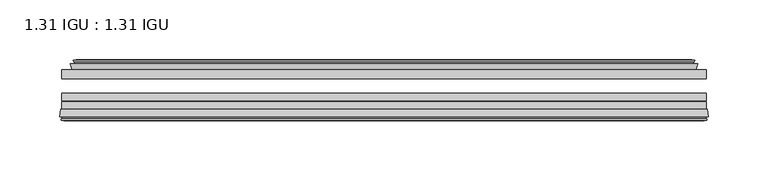
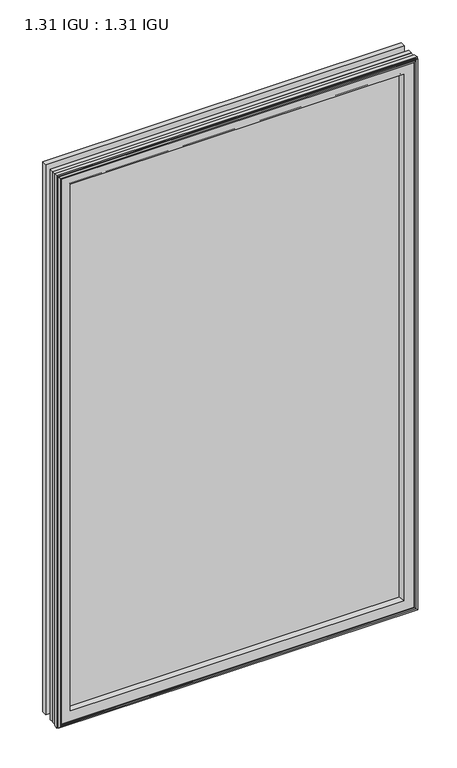
"""IFC4 building model written with IfcOpenShell, lengths in millimetres: plate geometry, 1.31 IGU : 1.31 IGU."""

import ifcopenshell
import ifcopenshell.guid

model = None  # the IFC model being written
_history = None  # IfcOwnerHistory: only IFC2X3 demands one
_inside = {}  # id of a spatial element -> (the spatial element, [elements in it])
_under = {}  # id of a project, library or spatial element -> (it, [spatial elements below it])
_declared = {}  # id of a project -> (the project, [libraries it declares])
_typed = {}  # id of a type object -> (the type object, [elements of that type])
_made_of = {}  # id of a material, layer set ... -> (it, [elements and type objects made of it])


def new_model(schema):
    """Start an empty IFC model of exactly this schema.

    Asked for "IFC4X3", IfcOpenShell would pick the latest addendum, in which some entities
    have other attributes; the version numbers below select the first issue.
    IFC2X3 requires an IfcOwnerHistory on every rooted entity: one is made here for all.
    """
    global model, _history
    if schema == "IFC4X3":
        model = ifcopenshell.file(schema_version=(4, 3, 0, 0))
    else:
        model = ifcopenshell.file(schema=schema)
    _inside.clear()
    _under.clear()
    _declared.clear()
    _typed.clear()
    _made_of.clear()
    _history = None
    if model.schema == "IFC2X3":
        org = make("IfcOrganization", Name="unknown")
        user = make(
            "IfcPersonAndOrganization",
            ThePerson=make("IfcPerson", FamilyName="unknown"),
            TheOrganization=org,
        )
        app = make(
            "IfcApplication",
            ApplicationDeveloper=org,
            Version="unknown",
            ApplicationFullName="unknown",
            ApplicationIdentifier="unknown",
        )
        _history = make(
            "IfcOwnerHistory",
            OwningUser=user,
            OwningApplication=app,
            ChangeAction="ADDED",
            CreationDate=0,
        )
    return model


def make(cls, **values):
    """One entity of the class cls with the attributes given. An attribute that is None is left unset."""
    return model.create_entity(
        cls, **{name: value for name, value in values.items() if value is not None}
    )


def rooted(cls, **values):
    """An entity with a GlobalId (a new one), such as an element, a storey or a relation."""
    return make(cls, GlobalId=ifcopenshell.guid.new(), OwnerHistory=_history, **values)


def si_unit(unit_type, name, prefix=None):
    """IfcSIUnit, for example si_unit("LENGTHUNIT", "METRE", prefix="MILLI")."""
    return make("IfcSIUnit", UnitType=unit_type, Prefix=prefix, Name=name)


def assignment(units):
    """IfcUnitAssignment: the units of a project."""
    return None if units is None else make("IfcUnitAssignment", Units=units)


def point(xyz):
    """IfcCartesianPoint."""
    return None if xyz is None else make("IfcCartesianPoint", Coordinates=xyz)


def direction(xyz):
    """IfcDirection."""
    return None if xyz is None else make("IfcDirection", DirectionRatios=xyz)


def frame(location, z_axis=None, x_axis=None):
    """IfcAxis2Placement3D, a coordinate frame: its origin and axes. An axis left out is left unset."""
    return make(
        "IfcAxis2Placement3D",
        Location=point(location),
        Axis=direction(z_axis),
        RefDirection=direction(x_axis),
    )


def origin():
    """The frame at (0, 0, 0) with its axes left unset."""
    return frame((0.0, 0.0, 0.0))


def place(relative_to, where):
    """IfcLocalPlacement: puts the frame where relative to a parent placement (None: the world)."""
    return make(
        "IfcLocalPlacement", PlacementRelTo=relative_to, RelativePlacement=where
    )


def context(
    kind, dimensions, precision=None, world=None, true_north=None, identifier=None
):
    """IfcGeometricRepresentationContext, for example the 3D "Model" context."""
    return make(
        "IfcGeometricRepresentationContext",
        ContextIdentifier=identifier,
        ContextType=kind,
        CoordinateSpaceDimension=dimensions,
        Precision=precision,
        WorldCoordinateSystem=world,
        TrueNorth=true_north,
    )


def project(units=None, contexts=None):
    """IfcProject with its units and contexts."""
    return rooted(
        "IfcProject",
        Name="project",
        RepresentationContexts=contexts,
        UnitsInContext=assignment(units),
    )


def spatial(cls, under=None, at=None, **own):
    """A site, building, storey or space (cls), placed at a placement, below another one or the project."""
    s = rooted(cls, ObjectPlacement=at, **own)
    if under is not None:
        _under.setdefault(under.id(), (under, []))[1].append(s)
    return s


def polyline(points):
    """IfcPolyline through the points."""
    return make("IfcPolyline", Points=[point(p) for p in points])


def ellipse_curve(where, semi_axis1, semi_axis2):
    """IfcEllipse in the frame where."""
    return make(
        "IfcEllipse", Position=where, SemiAxis1=semi_axis1, SemiAxis2=semi_axis2
    )


def outline(outer, holes=None, kind="AREA"):
    """IfcArbitraryClosedProfileDef: a profile drawn as a closed curve; with holes, ...WithVoids."""
    if holes is None:
        return make("IfcArbitraryClosedProfileDef", ProfileType=kind, OuterCurve=outer)
    return make(
        "IfcArbitraryProfileDefWithVoids",
        ProfileType=kind,
        OuterCurve=outer,
        InnerCurves=holes,
    )


def extrude(swept, where, along, depth):
    """IfcExtrudedAreaSolid: the profile swept, set in the frame where, extruded along a direction by depth."""
    return make(
        "IfcExtrudedAreaSolid",
        SweptArea=swept,
        Position=where,
        ExtrudedDirection=direction(along),
        Depth=depth,
    )


def faces_of(points, faces, orient=None, outer=None):
    """IfcFace entities. A face is a list of loops; a loop is a list of indices into points, from 0.

    orient and outer hold one flag for each loop. By default every Orientation is true, the
    first loop of a face is its IfcFaceOuterBound and the others are IfcFaceBound.
    """
    made = []
    for i, loops in enumerate(faces):
        bounds = []
        for j, loop in enumerate(loops):
            is_outer = j == 0 if outer is None else outer[i][j]
            bounds.append(
                make(
                    "IfcFaceOuterBound" if is_outer else "IfcFaceBound",
                    Bound=make("IfcPolyLoop", Polygon=[points[k] for k in loop]),
                    Orientation=True if orient is None else orient[i][j],
                )
            )
        made.append(make("IfcFace", Bounds=bounds))
    return made


def faceted_brep(points, faces, orient=None, outer=None, voids=None):
    """IfcFacetedBrep: a solid bounded by flat faces; with voids (closed shells), ...WithVoids."""
    shared = [point(p) for p in points]
    hull = make("IfcClosedShell", CfsFaces=faces_of(shared, faces, orient, outer))
    if voids is None:
        return make("IfcFacetedBrep", Outer=hull)
    return make(
        "IfcFacetedBrepWithVoids",
        Outer=hull,
        Voids=[
            make(cls, CfsFaces=faces_of(shared, fs, o, b)) for cls, fs, o, b in voids
        ],
    )


def shape(context_of_items, identifier, shape_type, items):
    """IfcShapeRepresentation: the items that make up one representation, for example the "Body"."""
    return make(
        "IfcShapeRepresentation",
        ContextOfItems=context_of_items,
        RepresentationIdentifier=identifier,
        RepresentationType=shape_type,
        Items=items,
    )


def source(mapping_origin, context_of_items, identifier, shape_type, items):
    """IfcRepresentationMap: a shape defined once, which mapped items show again and again."""
    return make(
        "IfcRepresentationMap",
        MappingOrigin=mapping_origin,
        MappedRepresentation=shape(context_of_items, identifier, shape_type, items),
    )


def transform(
    local_origin,
    x_axis=None,
    y_axis=None,
    z_axis=None,
    scale=None,
    scale2=None,
    scale3=None,
    uniform=True,
):
    """IfcCartesianTransformationOperator3D, or its non-uniform kind. x_axis, y_axis, z_axis: its Axis1, 2, 3."""
    if uniform:
        return make(
            "IfcCartesianTransformationOperator3D",
            Axis1=direction(x_axis),
            Axis2=direction(y_axis),
            LocalOrigin=point(local_origin),
            Scale=scale,
            Axis3=direction(z_axis),
        )
    return make(
        "IfcCartesianTransformationOperator3DnonUniform",
        Axis1=direction(x_axis),
        Axis2=direction(y_axis),
        LocalOrigin=point(local_origin),
        Scale=scale,
        Axis3=direction(z_axis),
        Scale2=scale2,
        Scale3=scale3,
    )


def mapped(mapping_source, mapping_target):
    """IfcMappedItem: shows the shape of a source again, moved by a transform."""
    return make(
        "IfcMappedItem", MappingSource=mapping_source, MappingTarget=mapping_target
    )


def made_of(thing, what):
    """Note that an element or type object is made of a material, layer set ...; save() writes the relation."""
    if what is not None:
        _made_of.setdefault(what.id(), (what, []))[1].append(thing)
    return thing


def element(
    cls,
    number,
    at=None,
    inside=None,
    cuts=None,
    type_object=None,
    material=None,
    context=None,
    identifier="Body",
    shape_type=None,
    held_by="IfcProductDefinitionShape",
    body=None,
    shapes=None,
    **own,
):
    """One element of the class cls, such as IfcWall. Its Tag is "e" and its number.

    at: its placement. inside: the storey or other place that contains it. cuts: it is an
    opening in that element (IfcRelVoidsElement). A single representation is given by context,
    identifier, shape_type and body (its items); several are given by shapes. held_by: the class
    of the entity that holds the representations. save() writes the other relations.
    """
    e = rooted(cls, Tag="e%d" % number, ObjectPlacement=at, **own)
    if body is not None:
        shapes = [shape(context, identifier, shape_type, body)]
    if shapes is not None:
        e.Representation = make(held_by, Representations=shapes)
    if inside is not None:
        _inside.setdefault(inside.id(), (inside, []))[1].append(e)
    if cuts is not None:
        rooted(
            "IfcRelVoidsElement", RelatingBuildingElement=cuts, RelatedOpeningElement=e
        )
    if type_object is not None:
        _typed.setdefault(type_object.id(), (type_object, []))[1].append(e)
    return made_of(e, material)


def aggregate(whole, parts):
    """IfcRelAggregates: a whole, such as a stair, and the parts it consists of."""
    return rooted("IfcRelAggregates", RelatingObject=whole, RelatedObjects=parts)


def save(model, path):
    """Write the relations noted so far, then the file.

    IfcRelAggregates (storeys below a building ...), IfcRelContainedInSpatialStructure (elements
    in a storey), IfcRelDefinesByType, IfcRelAssociatesMaterial and IfcRelDeclares: one each for
    every whole, place, type object, material and project.
    """
    for whole, parts in _under.values():
        aggregate(whole, parts)
    for where, things in _inside.values():
        rooted(
            "IfcRelContainedInSpatialStructure",
            RelatedElements=things,
            RelatingStructure=where,
        )
    for kind, things in _typed.values():
        rooted("IfcRelDefinesByType", RelatedObjects=things, RelatingType=kind)
    for what, things in _made_of.values():
        rooted("IfcRelAssociatesMaterial", RelatedObjects=things, RelatingMaterial=what)
    for by, libraries in _declared.values():
        rooted("IfcRelDeclares", RelatingContext=by, RelatedDefinitions=libraries)
    model.write(path)


def plane_surface(at):
    """IfcPlane: the flat surface through the origin of the frame at, square to its z axis."""
    return make("IfcPlane", Position=at)


def revolved_surface(curve, axis_point, axis_direction):
    """IfcSurfaceOfRevolution: the curve turned about the line through axis_point along axis_direction."""
    return make(
        "IfcSurfaceOfRevolution",
        SweptCurve=make("IfcArbitraryOpenProfileDef", ProfileType="CURVE", Curve=curve),
        AxisPosition=make("IfcAxis1Placement", Location=point(axis_point), Axis=direction(axis_direction)),
    )


def advanced_brep(points, edges, surfaces, faces):
    """IfcAdvancedBrep: a solid bounded by faces that lie on surfaces and meet in shared edges.

    An edge is (start, end): straight between two places in points (the first is 0);
    or (start, end, curve); or (start, end, curve, False) where it runs against its curve.
    A face is (place in surfaces, loops), or (place, loops, False) where it looks against
    its surface's normal. A loop lists edges by number (the first is 1), with a minus sign
    where the edge is run from its end to its start. The first loop is the outer one.
    """
    corners = [point(p) for p in points]
    vertices = [make("IfcVertexPoint", VertexGeometry=c) for c in corners]
    made = []
    for start, end, *more in edges:
        made.append(
            make(
                "IfcEdgeCurve",
                EdgeStart=vertices[start],
                EdgeEnd=vertices[end],
                EdgeGeometry=more[0] if more else make("IfcPolyline", Points=[corners[start], corners[end]]),
                SameSense=more[1] if len(more) > 1 else True,
            )
        )
    hull = []
    for where, loops, *sense in faces:
        bounds = []
        for j, loop in enumerate(loops):
            ring = [make("IfcOrientedEdge", EdgeElement=made[abs(k) - 1], Orientation=k > 0) for k in loop]
            bounds.append(
                make(
                    "IfcFaceOuterBound" if j == 0 else "IfcFaceBound",
                    Bound=make("IfcEdgeLoop", EdgeList=ring),
                    Orientation=True,
                )
            )
        hull.append(make("IfcAdvancedFace", Bounds=bounds, FaceSurface=surfaces[where], SameSense=sense[0] if sense else True))
    return make("IfcAdvancedBrep", Outer=make("IfcClosedShell", CfsFaces=hull))


def plate_1_31_igu_1_31_igu_f2027606(model_context):
    return source(origin(), model_context, "Body", "SolidModel", [
        extrude(outline(polyline([(269.890875, -17.9712937), (269.890875, -25.8960937), (-269.890875, -25.8960937), (-269.890875, -17.9712937), (269.890875, -17.9712937)])), frame((0.0, 0.0, -19.05), z_axis=(0.0, 0.0, 1.0), x_axis=(1.0, 0.0, 0.0)), (0.0, 0.0, 1.0), 876.3),
        extrude(outline(polyline([(-269.890875, -51.2960937), (-269.890875, -44.9460937), (269.890875, -44.9460937), (269.890875, -51.2960937), (-269.890875, -51.2960937)])), frame((0.0, 0.0, -19.05), z_axis=(0.0, 0.0, 1.0), x_axis=(1.0, 0.0, 0.0)), (0.0, 0.0, 1.0), 876.3),
        extrude(outline(polyline([(-269.890875, -44.1586938), (-269.890875, -37.8086938), (269.890875, -37.8086938), (269.890875, -44.1586938), (-269.890875, -44.1586938)])), frame((0.0, 0.0, -19.05), z_axis=(0.0, 0.0, 1.0), x_axis=(1.0, 0.0, 0.0)), (0.0, 0.0, 1.0), 876.3),
        faceted_brep([(-260.9722755, -17.9712937, 848.3314005), (-262.6165087, -13.1960937, 849.9756337), (-262.6165087, -13.1960937, -11.7756337), (-260.9722755, -17.9712937, -10.1314005), (-251.361575, -13.1960937, 838.7207), (-250.1921445, -17.9712937, 837.5512695), (-250.1921445, -17.9712937, 0.6487305), (-251.361575, -13.1960937, -0.5207), (-256.9262953, -10.902778, 844.2854203), (-256.3118031, -13.1960937, 843.6709281), (-256.3118031, -13.1960937, -5.4709281), (-256.9262953, -10.902778, -6.0854203), (-255.5340459, -11.27583, 842.8931709), (-255.5340459, -11.27583, -4.6931709), (-255.3027287, -10.4125422, 842.6618537), (-255.3027287, -10.4125422, -4.4618537), (-257.711575, -9.7670937, 845.0707), (-257.711575, -9.7670937, -6.8707), (-260.1204213, -10.4125422, 847.4795463), (-260.1204213, -10.4125422, -9.2795463), (-259.8891041, -11.27583, 847.2482291), (-259.8891041, -11.27583, -9.0482291), (-258.5022764, -10.9042307, 845.8614014), (-258.5022764, -10.9042307, -7.6614014), (-259.2469479, -13.1960937, 846.6060729), (-259.2469479, -13.1960937, -8.4060729), (262.6165087, -13.1960937, -11.7756337), (260.9722755, -17.9712937, -10.1314005), (250.1921445, -17.9712937, 0.6487305), (251.361575, -13.1960937, -0.5207), (256.3118031, -13.1960937, -5.4709281), (256.9262953, -10.902778, -6.0854203), (255.5340459, -11.27583, -4.6931709), (255.3027287, -10.4125422, -4.4618537), (257.711575, -9.7670937, -6.8707), (260.1204213, -10.4125422, -9.2795463), (259.8891041, -11.27583, -9.0482291), (258.5022764, -10.9042307, -7.6614014), (259.2469479, -13.1960937, -8.4060729), (262.6165087, -13.1960937, 849.9756337), (260.9722755, -17.9712937, 848.3314005), (250.1921445, -17.9712937, 837.5512695), (251.361575, -13.1960937, 838.7207), (256.3118031, -13.1960937, 843.6709281), (256.9262953, -10.902778, 844.2854203), (255.5340459, -11.27583, 842.8931709), (255.3027287, -10.4125422, 842.6618537), (257.711575, -9.7670937, 845.0707), (260.1204213, -10.4125422, 847.4795463), (259.8891041, -11.27583, 847.2482291), (258.5022764, -10.9042307, 845.8614014), (259.2469479, -13.1960937, 846.6060729)], [[[0, 1, 2, 3]], [[4, 5, 6, 7]], [[8, 9, 10, 11]], [[12, 8, 11, 13]], [[14, 12, 13, 15]], [[16, 14, 15, 17]], [[18, 16, 17, 19]], [[20, 18, 19, 21]], [[22, 20, 21, 23]], [[24, 22, 23, 25]], [[3, 2, 26, 27]], [[7, 6, 28, 29]], [[11, 10, 30, 31]], [[13, 11, 31, 32]], [[15, 13, 32, 33]], [[17, 15, 33, 34]], [[19, 17, 34, 35]], [[21, 19, 35, 36]], [[23, 21, 36, 37]], [[25, 23, 37, 38]], [[27, 26, 39, 40]], [[29, 28, 41, 42]], [[31, 30, 43, 44]], [[32, 31, 44, 45]], [[33, 32, 45, 46]], [[34, 33, 46, 47]], [[35, 34, 47, 48]], [[36, 35, 48, 49]], [[37, 36, 49, 50]], [[38, 37, 50, 51]], [[40, 39, 1, 0]], [[3, 27, 40, 0], [5, 41, 28, 6]], [[42, 41, 5, 4]], [[9, 43, 30, 10], [7, 29, 42, 4]], [[44, 43, 9, 8]], [[45, 44, 8, 12]], [[46, 45, 12, 14]], [[47, 46, 14, 16]], [[48, 47, 16, 18]], [[49, 48, 18, 20]], [[50, 49, 20, 22]], [[51, 50, 22, 24]], [[1, 39, 26, 2], [25, 38, 51, 24]]]),
        advanced_brep(
        [(-247.2035601, -51.2960937, 834.5626851), (-250.840875, -57.6460937, 838.2), (-250.840875, -57.6460937, 0.0), (-247.2035601, -51.2960937, 3.6373149), (-271.4866533, -57.6460937, 858.8457783), (-270.7069714, -51.2960937, 858.0660964), (-270.7069714, -51.2960937, -19.8660964), (-271.4866533, -57.6460937, -20.6457783), (-269.0866494, -59.6558685, 856.4457744), (-269.5456763, -57.6460937, 856.9048013), (-269.5456763, -57.6460937, -18.7048013), (-269.0866494, -59.6558685, -18.2457744), (-270.0703338, -59.3738016, 857.4294588), (-270.0703338, -59.3738016, -19.2294588), (-270.3238183, -60.2578071, 857.6829433), (-270.3238183, -60.2578071, -19.4829433), (-268.3008748, -60.8378768, 855.6599998), (-268.3008748, -60.8378768, -17.4599998), (-266.2572139, -60.2902795, 853.6163389), (-266.2572139, -60.2902795, -15.4163389), (-266.5020833, -59.3764147, 853.8612083), (-266.5020833, -59.3764147, -15.6612083), (-267.5247171, -59.6504286, 854.8838421), (-267.5247171, -59.6504286, -16.6838421), (-267.0619799, -57.6460937, 854.4211049), (-267.0619799, -57.6460937, -16.2211049), (250.840875, -57.6460938, 0.0), (247.2035601, -51.2960937, 3.6373149), (270.7069714, -51.2960937, -19.8660964), (271.4866533, -57.6460938, -20.6457783), (269.5456763, -57.6460938, -18.7048013), (269.0866494, -59.6558685, -18.2457744), (270.0703338, -59.3738016, -19.2294588), (270.3238183, -60.2578071, -19.4829433), (268.3008748, -60.8378768, -17.4599998), (266.2572139, -60.2902795, -15.4163389), (266.5020833, -59.3764147, -15.6612083), (267.5247171, -59.6504286, -16.6838421), (267.0619799, -57.6460938, -16.2211049), (250.840875, -57.6460938, 838.2), (247.2035601, -51.2960937, 834.5626851), (270.7069714, -51.2960937, 858.0660964), (271.4866533, -57.6460938, 858.8457783), (269.5456763, -57.6460938, 856.9048013), (269.0866494, -59.6558685, 856.4457744), (270.0703338, -59.3738016, 857.4294588), (270.3238183, -60.2578071, 857.6829433), (268.3008748, -60.8378768, 855.6599998), (266.2572139, -60.2902795, 853.6163389), (266.5020833, -59.3764147, 853.8612083), (267.5247171, -59.6504286, 854.8838421), (267.0619799, -57.6460938, 854.4211049)],
        [
            (0, 1, ellipse_curve(frame((-242.40993, -58.2586484, 829.769055), z_axis=(0.7071067811865475, 0.0, 0.7071067811865475), x_axis=(0.7071067811865474, 0.0, -0.7071067811865476)), 11.9545855, 8.4531685)),
            (1, 2),
            (2, 3, ellipse_curve(frame((-242.40993, -58.2586484, 8.430945), z_axis=(0.7071067811865475, 0.0, -0.7071067811865475), x_axis=(-0.7071067811865474, 0.0, -0.7071067811865476)), 11.9545855, 8.4531685)),
            (3, 0),
            (4, 5),
            (5, 6),
            (6, 7),
            (7, 4),
            (8, 9),
            (9, 10),
            (10, 11),
            (11, 8),
            (12, 8),
            (11, 13),
            (13, 12),
            (14, 12),
            (13, 15),
            (15, 14),
            (16, 14),
            (15, 17),
            (17, 16),
            (18, 16),
            (17, 19),
            (19, 18),
            (20, 18),
            (19, 21),
            (21, 20),
            (22, 20),
            (21, 23),
            (23, 22),
            (24, 22),
            (23, 25),
            (25, 24),
            (2, 26),
            (26, 27, ellipse_curve(frame((242.40993, -58.2586484, 8.430945), z_axis=(0.7071067811865475, 0.0, 0.7071067811865475), x_axis=(0.7071067811865476, 0.0, -0.7071067811865474)), 11.9545855, 8.4531685)),
            (27, 3),
            (6, 28),
            (28, 29),
            (29, 7),
            (10, 30),
            (30, 31),
            (31, 11),
            (31, 32),
            (32, 13),
            (32, 33),
            (33, 15),
            (33, 34),
            (34, 17),
            (34, 35),
            (35, 19),
            (35, 36),
            (36, 21),
            (36, 37),
            (37, 23),
            (37, 38),
            (38, 25),
            (26, 39),
            (39, 40, ellipse_curve(frame((242.40993, -58.2586484, 829.769055), z_axis=(-0.7071067811865475, 0.0, 0.7071067811865475), x_axis=(0.7071067811865474, 0.0, 0.7071067811865476)), 11.9545855, 8.4531685)),
            (40, 27),
            (28, 41),
            (41, 42),
            (42, 29),
            (30, 43),
            (43, 44),
            (44, 31),
            (44, 45),
            (45, 32),
            (45, 46),
            (46, 33),
            (46, 47),
            (47, 34),
            (47, 48),
            (48, 35),
            (48, 49),
            (49, 36),
            (49, 50),
            (50, 37),
            (50, 51),
            (51, 38),
            (51, 24),
            (1, 39),
            (0, 40),
            (5, 41),
            (4, 42),
            (9, 43),
            (8, 44),
            (12, 45),
            (14, 46),
            (16, 47),
            (18, 48),
            (20, 49),
            (22, 50),
        ],
        [
            revolved_surface(polyline([(-250.8630985, -58.2586484, -0.02222347332440222), (-250.8630985, -58.2586484, 838.2222234733243)]), (-242.40993, -58.2586484, 869.95), (0.0, 0.0, -1.0)),
            plane_surface(frame((-270.7069714, -51.2960937, 858.0660964), z_axis=(-0.9925461516413234, 0.12186934340513636, 0.0), x_axis=(0.0, 0.0, -1.0))),
            plane_surface(frame((-269.5456763, -57.6460937, 856.9048013), z_axis=(-0.9748953990049445, -0.22266333555165796, 0.0), x_axis=(0.0, 0.0, -1.0))),
            plane_surface(frame((-269.0866494, -59.6558685, 856.4457744), z_axis=(0.27563735581726606, 0.9612616959382424, 0.0), x_axis=(0.0, 0.0, -1.0))),
            plane_surface(frame((-270.0703338, -59.3738016, 857.4294588), z_axis=(-0.9612616959382463, 0.2756373558172523, 0.0), x_axis=(0.0, 0.0, -1.0))),
            plane_surface(frame((-270.3238183, -60.2578071, 857.6829433), z_axis=(-0.2756373558170135, -0.9612616959383148, 0.0), x_axis=(0.0, 0.0, -1.0))),
            plane_surface(frame((-268.3008748, -60.8378768, 855.6599998), z_axis=(0.25881904510226056, -0.965925826289138, 0.0), x_axis=(0.0, 0.0, -1.0))),
            plane_surface(frame((-266.2572139, -60.2902795, 853.6163389), z_axis=(0.9659258262891444, 0.25881904510223736, 0.0), x_axis=(0.0, 0.0, -1.0))),
            plane_surface(frame((-266.5020833, -59.3764147, 853.8612083), z_axis=(-0.2588190451025015, 0.9659258262890735, 0.0), x_axis=(0.0, 0.0, -1.0))),
            plane_surface(frame((-267.5247171, -59.6504286, 854.8838421), z_axis=(0.9743700647852117, -0.22495105434396695, 0.0), x_axis=(0.0, 0.0, -1.0))),
            revolved_surface(polyline([(250.86309847332438, -58.2586484, -0.02222350000000084), (-250.86309847332438, -58.2586484, -0.02222350000000084)]), (-282.590875, -58.2586484, 8.430945), (1.0, 0.0, 0.0)),
            plane_surface(frame((-270.7069714, -51.2960937, -19.8660964), z_axis=(0.0, 0.12186934340513315, -0.9925461516413239), x_axis=(1.0, 0.0, 0.0))),
            plane_surface(frame((-269.5456763, -57.6460937, -18.7048013), z_axis=(0.0, -0.22266333555166112, -0.9748953990049438), x_axis=(1.0, 0.0, 0.0))),
            plane_surface(frame((-269.0866494, -59.6558685, -18.2457744), z_axis=(0.0, 0.9612616959382433, 0.27563735581726295), x_axis=(1.0, 0.0, 0.0))),
            plane_surface(frame((-270.0703338, -59.3738016, -19.2294588), z_axis=(0.0, 0.2756373558172492, -0.9612616959382472), x_axis=(1.0, 0.0, 0.0))),
            plane_surface(frame((-270.3238183, -60.2578071, -19.4829433), z_axis=(0.0, -0.9612616959383157, -0.2756373558170104), x_axis=(1.0, 0.0, 0.0))),
            plane_surface(frame((-268.3008748, -60.8378768, -17.4599998), z_axis=(0.0, -0.9659258262891373, 0.2588190451022637), x_axis=(1.0, 0.0, 0.0))),
            plane_surface(frame((-266.2572139, -60.2902795, -15.4163389), z_axis=(0.0, 0.25881904510224046, 0.9659258262891435), x_axis=(1.0, 0.0, 0.0))),
            plane_surface(frame((-266.5020833, -59.3764147, -15.6612083), z_axis=(0.0, 0.9659258262890726, -0.2588190451025046), x_axis=(1.0, 0.0, 0.0))),
            plane_surface(frame((-267.5247171, -59.6504286, -16.6838421), z_axis=(0.0, -0.22495105434396379, 0.9743700647852125), x_axis=(1.0, 0.0, 0.0))),
            revolved_surface(polyline([(250.8630985, -58.2586484, 838.2222234733243), (250.8630985, -58.2586484, -0.022223473324370246)]), (242.40993, -58.2586484, -31.75), (0.0, 0.0, 1.0)),
            plane_surface(frame((270.7069714, -51.2960937, -19.8660964), z_axis=(0.9925461516413243, 0.12186934340512995, 0.0), x_axis=(0.0, 0.0, 1.0))),
            plane_surface(frame((269.5456763, -57.6460938, -18.7048013), z_axis=(0.9748953990049432, -0.2226633355516643, 0.0), x_axis=(0.0, 0.0, 1.0))),
            plane_surface(frame((269.0866494, -59.6558685, -18.2457744), z_axis=(-0.27563735581725984, 0.9612616959382442, 0.0), x_axis=(0.0, 0.0, 1.0))),
            plane_surface(frame((270.0703338, -59.3738016, -19.2294588), z_axis=(0.9612616959382481, 0.2756373558172461, 0.0), x_axis=(0.0, 0.0, 1.0))),
            plane_surface(frame((270.3238183, -60.2578071, -19.4829433), z_axis=(0.27563735581700727, -0.9612616959383166, 0.0), x_axis=(0.0, 0.0, 1.0))),
            plane_surface(frame((268.3008748, -60.8378768, -17.4599998), z_axis=(-0.25881904510226683, -0.9659258262891364, 0.0), x_axis=(0.0, 0.0, 1.0))),
            plane_surface(frame((266.2572139, -60.2902795, -15.4163389), z_axis=(-0.9659258262891426, 0.2588190451022436, 0.0), x_axis=(0.0, 0.0, 1.0))),
            plane_surface(frame((266.5020833, -59.3764147, -15.6612083), z_axis=(0.2588190451025077, 0.9659258262890718, 0.0), x_axis=(0.0, 0.0, 1.0))),
            plane_surface(frame((267.5247171, -59.6504286, -16.6838421), z_axis=(-0.9743700647852133, -0.22495105434396062, 0.0), x_axis=(0.0, 0.0, 1.0))),
            plane_surface(frame((267.0619799, -57.6460938, 854.4211049), z_axis=(0.0, -1.0, 0.0), x_axis=(-1.0, 0.0, 0.0))),
            revolved_surface(polyline([(-250.86309847332438, -58.2586484, 838.2222234999999), (250.86309847332438, -58.2586484, 838.2222234999999)]), (282.590875, -58.2586484, 829.769055), (-1.0, 0.0, 0.0)),
            plane_surface(frame((247.2035601, -51.2960937, 834.5626851), z_axis=(0.0, 1.0, 0.0), x_axis=(-1.0, 0.0, 0.0))),
            plane_surface(frame((270.7069714, -51.2960937, 858.0660964), z_axis=(0.0, 0.12186934340513315, 0.9925461516413239), x_axis=(-1.0, 0.0, 0.0))),
            plane_surface(frame((271.4866533, -57.6460938, 858.8457783), z_axis=(0.0, -1.0, 0.0), x_axis=(-1.0, 0.0, 0.0))),
            plane_surface(frame((269.5456763, -57.6460938, 856.9048013), z_axis=(0.0, -0.22266333555166112, 0.9748953990049438), x_axis=(-1.0, 0.0, 0.0))),
            plane_surface(frame((269.0866494, -59.6558685, 856.4457744), z_axis=(0.0, 0.9612616959382433, -0.27563735581726295), x_axis=(-1.0, 0.0, 0.0))),
            plane_surface(frame((270.0703338, -59.3738016, 857.4294588), z_axis=(0.0, 0.2756373558172492, 0.9612616959382472), x_axis=(-1.0, 0.0, 0.0))),
            plane_surface(frame((270.3238183, -60.2578071, 857.6829433), z_axis=(0.0, -0.9612616959383157, 0.2756373558170104), x_axis=(-1.0, 0.0, 0.0))),
            plane_surface(frame((268.3008748, -60.8378768, 855.6599998), z_axis=(0.0, -0.9659258262891373, -0.2588190451022637), x_axis=(-1.0, 0.0, 0.0))),
            plane_surface(frame((266.2572139, -60.2902795, 853.6163389), z_axis=(0.0, 0.25881904510224046, -0.9659258262891435), x_axis=(-1.0, 0.0, 0.0))),
            plane_surface(frame((266.5020833, -59.3764147, 853.8612083), z_axis=(0.0, 0.9659258262890726, 0.2588190451025046), x_axis=(-1.0, 0.0, 0.0))),
            plane_surface(frame((267.5247171, -59.6504286, 854.8838421), z_axis=(0.0, -0.22495105434396379, -0.9743700647852125), x_axis=(-1.0, 0.0, 0.0))),
        ],
        [
            (0, [[1, 2, 3, 4]]),
            (1, [[5, 6, 7, 8]]),
            (2, [[9, 10, 11, 12]]),
            (3, [[13, -12, 14, 15]]),
            (4, [[16, -15, 17, 18]]),
            (5, [[19, -18, 20, 21]]),
            (6, [[22, -21, 23, 24]]),
            (7, [[25, -24, 26, 27]]),
            (8, [[28, -27, 29, 30]]),
            (9, [[31, -30, 32, 33]]),
            (10, [[-3, 34, 35, 36]]),
            (11, [[-7, 37, 38, 39]]),
            (12, [[-11, 40, 41, 42]]),
            (13, [[-14, -42, 43, 44]]),
            (14, [[-17, -44, 45, 46]]),
            (15, [[-20, -46, 47, 48]]),
            (16, [[-23, -48, 49, 50]]),
            (17, [[-26, -50, 51, 52]]),
            (18, [[-29, -52, 53, 54]]),
            (19, [[-32, -54, 55, 56]]),
            (20, [[-35, 57, 58, 59]]),
            (21, [[-38, 60, 61, 62]]),
            (22, [[-41, 63, 64, 65]]),
            (23, [[-43, -65, 66, 67]]),
            (24, [[-45, -67, 68, 69]]),
            (25, [[-47, -69, 70, 71]]),
            (26, [[-49, -71, 72, 73]]),
            (27, [[-51, -73, 74, 75]]),
            (28, [[-53, -75, 76, 77]]),
            (29, [[-55, -77, 78, 79]]),
            (30, [[-56, -79, 80, -33], [81, -57, -34, -2]]),
            (31, [[-58, -81, -1, 82]]),
            (32, [[83, -60, -37, -6], [-36, -59, -82, -4]]),
            (33, [[-61, -83, -5, 84]]),
            (34, [[-39, -62, -84, -8], [85, -63, -40, -10]]),
            (35, [[-64, -85, -9, 86]]),
            (36, [[-66, -86, -13, 87]]),
            (37, [[-68, -87, -16, 88]]),
            (38, [[-70, -88, -19, 89]]),
            (39, [[-72, -89, -22, 90]]),
            (40, [[-74, -90, -25, 91]]),
            (41, [[-76, -91, -28, 92]]),
            (42, [[-78, -92, -31, -80]]),
        ],
    ),
    ])


if __name__ == "__main__":
    model = new_model("IFC4")
    model_context = context("Model", 3, world=origin())
    ifc_project = project(units=[si_unit("LENGTHUNIT", "METRE", prefix="MILLI")], contexts=[model_context])
    site = spatial("IfcSite", under=ifc_project)
    building = spatial("IfcBuilding", under=site)
    placement = place(None, origin())
    plate_1_31_igu_1_31_igu_shape = plate_1_31_igu_1_31_igu_f2027606(model_context)
    element("IfcPlate", 1, ObjectType="1.31 IGU : 1.31 IGU", at=placement, inside=building, context=model_context, shape_type="MappedRepresentation", body=[
        mapped(plate_1_31_igu_1_31_igu_shape, transform((0.0, 0.0, 0.0), x_axis=(1.0, 0.0, 0.0), y_axis=(0.0, 1.0, 0.0), z_axis=(0.0, 0.0, 1.0))),
    ])
    save(model, "model.ifc")
